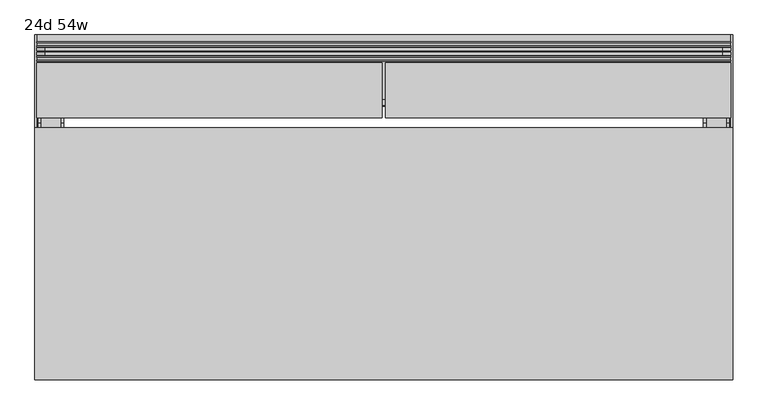
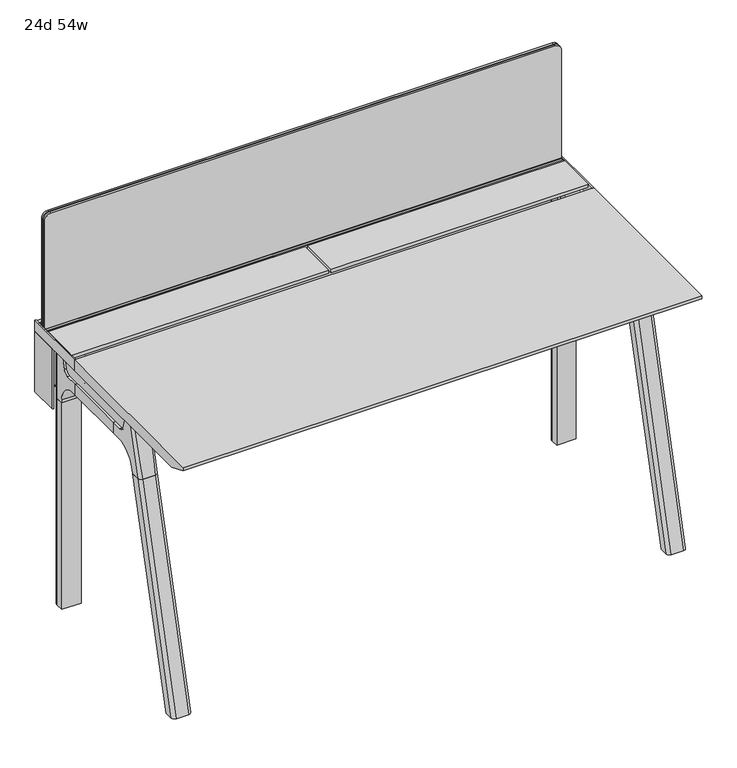
"""IFC4 building model written with IfcOpenShell, lengths in millimetres: furniture geometry, 24d 54w."""

import ifcopenshell
import ifcopenshell.guid

model = None  # the IFC model being written
_history = None  # IfcOwnerHistory: only IFC2X3 demands one
_inside = {}  # id of a spatial element -> (the spatial element, [elements in it])
_under = {}  # id of a project, library or spatial element -> (it, [spatial elements below it])
_declared = {}  # id of a project -> (the project, [libraries it declares])
_typed = {}  # id of a type object -> (the type object, [elements of that type])
_made_of = {}  # id of a material, layer set ... -> (it, [elements and type objects made of it])


def new_model(schema):
    """Start an empty IFC model of exactly this schema.

    Asked for "IFC4X3", IfcOpenShell would pick the latest addendum, in which some entities
    have other attributes; the version numbers below select the first issue.
    IFC2X3 requires an IfcOwnerHistory on every rooted entity: one is made here for all.
    """
    global model, _history
    if schema == "IFC4X3":
        model = ifcopenshell.file(schema_version=(4, 3, 0, 0))
    else:
        model = ifcopenshell.file(schema=schema)
    _inside.clear()
    _under.clear()
    _declared.clear()
    _typed.clear()
    _made_of.clear()
    _history = None
    if model.schema == "IFC2X3":
        org = make("IfcOrganization", Name="unknown")
        user = make(
            "IfcPersonAndOrganization",
            ThePerson=make("IfcPerson", FamilyName="unknown"),
            TheOrganization=org,
        )
        app = make(
            "IfcApplication",
            ApplicationDeveloper=org,
            Version="unknown",
            ApplicationFullName="unknown",
            ApplicationIdentifier="unknown",
        )
        _history = make(
            "IfcOwnerHistory",
            OwningUser=user,
            OwningApplication=app,
            ChangeAction="ADDED",
            CreationDate=0,
        )
    return model


def make(cls, **values):
    """One entity of the class cls with the attributes given. An attribute that is None is left unset."""
    return model.create_entity(
        cls, **{name: value for name, value in values.items() if value is not None}
    )


def rooted(cls, **values):
    """An entity with a GlobalId (a new one), such as an element, a storey or a relation."""
    return make(cls, GlobalId=ifcopenshell.guid.new(), OwnerHistory=_history, **values)


def si_unit(unit_type, name, prefix=None):
    """IfcSIUnit, for example si_unit("LENGTHUNIT", "METRE", prefix="MILLI")."""
    return make("IfcSIUnit", UnitType=unit_type, Prefix=prefix, Name=name)


def assignment(units):
    """IfcUnitAssignment: the units of a project."""
    return None if units is None else make("IfcUnitAssignment", Units=units)


def point(xyz):
    """IfcCartesianPoint."""
    return None if xyz is None else make("IfcCartesianPoint", Coordinates=xyz)


def direction(xyz):
    """IfcDirection."""
    return None if xyz is None else make("IfcDirection", DirectionRatios=xyz)


def frame(location, z_axis=None, x_axis=None):
    """IfcAxis2Placement3D, a coordinate frame: its origin and axes. An axis left out is left unset."""
    return make(
        "IfcAxis2Placement3D",
        Location=point(location),
        Axis=direction(z_axis),
        RefDirection=direction(x_axis),
    )


def frame_2d(location, x_axis=None):
    """IfcAxis2Placement2D, a coordinate frame in the plane: its origin and x axis."""
    return make(
        "IfcAxis2Placement2D", Location=point(location), RefDirection=direction(x_axis)
    )


def origin():
    """The frame at (0, 0, 0) with its axes left unset."""
    return frame((0.0, 0.0, 0.0))


def place(relative_to, where):
    """IfcLocalPlacement: puts the frame where relative to a parent placement (None: the world)."""
    return make(
        "IfcLocalPlacement", PlacementRelTo=relative_to, RelativePlacement=where
    )


def context(
    kind, dimensions, precision=None, world=None, true_north=None, identifier=None
):
    """IfcGeometricRepresentationContext, for example the 3D "Model" context."""
    return make(
        "IfcGeometricRepresentationContext",
        ContextIdentifier=identifier,
        ContextType=kind,
        CoordinateSpaceDimension=dimensions,
        Precision=precision,
        WorldCoordinateSystem=world,
        TrueNorth=true_north,
    )


def project(units=None, contexts=None):
    """IfcProject with its units and contexts."""
    return rooted(
        "IfcProject",
        Name="project",
        RepresentationContexts=contexts,
        UnitsInContext=assignment(units),
    )


def spatial(cls, under=None, at=None, **own):
    """A site, building, storey or space (cls), placed at a placement, below another one or the project."""
    s = rooted(cls, ObjectPlacement=at, **own)
    if under is not None:
        _under.setdefault(under.id(), (under, []))[1].append(s)
    return s


def polyline(points):
    """IfcPolyline through the points."""
    return make("IfcPolyline", Points=[point(p) for p in points])


def circle_curve(where, radius):
    """IfcCircle in the frame where."""
    return make("IfcCircle", Position=where, Radius=radius)


def ellipse_curve(where, semi_axis1, semi_axis2):
    """IfcEllipse in the frame where."""
    return make(
        "IfcEllipse", Position=where, SemiAxis1=semi_axis1, SemiAxis2=semi_axis2
    )


def trimmed(basis, trim1, trim2, sense, master):
    """IfcTrimmedCurve: the piece of a basis curve between two trims."""
    return make(
        "IfcTrimmedCurve",
        BasisCurve=basis,
        Trim1=trim1,
        Trim2=trim2,
        SenseAgreement=sense,
        MasterRepresentation=master,
    )


def segment(curve, same_sense, transition):
    """IfcCompositeCurveSegment."""
    return make(
        "IfcCompositeCurveSegment",
        Transition=transition,
        SameSense=same_sense,
        ParentCurve=curve,
    )


def composite_curve(segments, self_intersect=None):
    """IfcCompositeCurve: segments joined end to end."""
    return make("IfcCompositeCurve", Segments=segments, SelfIntersect=self_intersect)


def outline(outer, holes=None, kind="AREA"):
    """IfcArbitraryClosedProfileDef: a profile drawn as a closed curve; with holes, ...WithVoids."""
    if holes is None:
        return make("IfcArbitraryClosedProfileDef", ProfileType=kind, OuterCurve=outer)
    return make(
        "IfcArbitraryProfileDefWithVoids",
        ProfileType=kind,
        OuterCurve=outer,
        InnerCurves=holes,
    )


def extrude(swept, where, along, depth):
    """IfcExtrudedAreaSolid: the profile swept, set in the frame where, extruded along a direction by depth."""
    return make(
        "IfcExtrudedAreaSolid",
        SweptArea=swept,
        Position=where,
        ExtrudedDirection=direction(along),
        Depth=depth,
    )


def shape(context_of_items, identifier, shape_type, items):
    """IfcShapeRepresentation: the items that make up one representation, for example the "Body"."""
    return make(
        "IfcShapeRepresentation",
        ContextOfItems=context_of_items,
        RepresentationIdentifier=identifier,
        RepresentationType=shape_type,
        Items=items,
    )


def source(mapping_origin, context_of_items, identifier, shape_type, items):
    """IfcRepresentationMap: a shape defined once, which mapped items show again and again."""
    return make(
        "IfcRepresentationMap",
        MappingOrigin=mapping_origin,
        MappedRepresentation=shape(context_of_items, identifier, shape_type, items),
    )


def transform(
    local_origin,
    x_axis=None,
    y_axis=None,
    z_axis=None,
    scale=None,
    scale2=None,
    scale3=None,
    uniform=True,
):
    """IfcCartesianTransformationOperator3D, or its non-uniform kind. x_axis, y_axis, z_axis: its Axis1, 2, 3."""
    if uniform:
        return make(
            "IfcCartesianTransformationOperator3D",
            Axis1=direction(x_axis),
            Axis2=direction(y_axis),
            LocalOrigin=point(local_origin),
            Scale=scale,
            Axis3=direction(z_axis),
        )
    return make(
        "IfcCartesianTransformationOperator3DnonUniform",
        Axis1=direction(x_axis),
        Axis2=direction(y_axis),
        LocalOrigin=point(local_origin),
        Scale=scale,
        Axis3=direction(z_axis),
        Scale2=scale2,
        Scale3=scale3,
    )


def mapped(mapping_source, mapping_target):
    """IfcMappedItem: shows the shape of a source again, moved by a transform."""
    return make(
        "IfcMappedItem", MappingSource=mapping_source, MappingTarget=mapping_target
    )


def made_of(thing, what):
    """Note that an element or type object is made of a material, layer set ...; save() writes the relation."""
    if what is not None:
        _made_of.setdefault(what.id(), (what, []))[1].append(thing)
    return thing


def element(
    cls,
    number,
    at=None,
    inside=None,
    cuts=None,
    type_object=None,
    material=None,
    context=None,
    identifier="Body",
    shape_type=None,
    held_by="IfcProductDefinitionShape",
    body=None,
    shapes=None,
    **own,
):
    """One element of the class cls, such as IfcWall. Its Tag is "e" and its number.

    at: its placement. inside: the storey or other place that contains it. cuts: it is an
    opening in that element (IfcRelVoidsElement). A single representation is given by context,
    identifier, shape_type and body (its items); several are given by shapes. held_by: the class
    of the entity that holds the representations. save() writes the other relations.
    """
    e = rooted(cls, Tag="e%d" % number, ObjectPlacement=at, **own)
    if body is not None:
        shapes = [shape(context, identifier, shape_type, body)]
    if shapes is not None:
        e.Representation = make(held_by, Representations=shapes)
    if inside is not None:
        _inside.setdefault(inside.id(), (inside, []))[1].append(e)
    if cuts is not None:
        rooted(
            "IfcRelVoidsElement", RelatingBuildingElement=cuts, RelatedOpeningElement=e
        )
    if type_object is not None:
        _typed.setdefault(type_object.id(), (type_object, []))[1].append(e)
    return made_of(e, material)


def aggregate(whole, parts):
    """IfcRelAggregates: a whole, such as a stair, and the parts it consists of."""
    return rooted("IfcRelAggregates", RelatingObject=whole, RelatedObjects=parts)


def save(model, path):
    """Write the relations noted so far, then the file.

    IfcRelAggregates (storeys below a building ...), IfcRelContainedInSpatialStructure (elements
    in a storey), IfcRelDefinesByType, IfcRelAssociatesMaterial and IfcRelDeclares: one each for
    every whole, place, type object, material and project.
    """
    for whole, parts in _under.values():
        aggregate(whole, parts)
    for where, things in _inside.values():
        rooted(
            "IfcRelContainedInSpatialStructure",
            RelatedElements=things,
            RelatingStructure=where,
        )
    for kind, things in _typed.values():
        rooted("IfcRelDefinesByType", RelatedObjects=things, RelatingType=kind)
    for what, things in _made_of.values():
        rooted("IfcRelAssociatesMaterial", RelatedObjects=things, RelatingMaterial=what)
    for by, libraries in _declared.values():
        rooted("IfcRelDeclares", RelatingContext=by, RelatedDefinitions=libraries)
    model.write(path)


def plane_surface(at):
    """IfcPlane: the flat surface through the origin of the frame at, square to its z axis."""
    return make("IfcPlane", Position=at)


def cylinder_surface(at, radius):
    """IfcCylindricalSurface: all points at the distance radius from the z axis of the frame at."""
    return make("IfcCylindricalSurface", Position=at, Radius=radius)


def revolved_surface(curve, axis_point, axis_direction):
    """IfcSurfaceOfRevolution: the curve turned about the line through axis_point along axis_direction."""
    return make(
        "IfcSurfaceOfRevolution",
        SweptCurve=make("IfcArbitraryOpenProfileDef", ProfileType="CURVE", Curve=curve),
        AxisPosition=make("IfcAxis1Placement", Location=point(axis_point), Axis=direction(axis_direction)),
    )


def advanced_brep(points, edges, surfaces, faces):
    """IfcAdvancedBrep: a solid bounded by faces that lie on surfaces and meet in shared edges.

    An edge is (start, end): straight between two places in points (the first is 0);
    or (start, end, curve); or (start, end, curve, False) where it runs against its curve.
    A face is (place in surfaces, loops), or (place, loops, False) where it looks against
    its surface's normal. A loop lists edges by number (the first is 1), with a minus sign
    where the edge is run from its end to its start. The first loop is the outer one.
    """
    corners = [point(p) for p in points]
    vertices = [make("IfcVertexPoint", VertexGeometry=c) for c in corners]
    made = []
    for start, end, *more in edges:
        made.append(
            make(
                "IfcEdgeCurve",
                EdgeStart=vertices[start],
                EdgeEnd=vertices[end],
                EdgeGeometry=more[0] if more else make("IfcPolyline", Points=[corners[start], corners[end]]),
                SameSense=more[1] if len(more) > 1 else True,
            )
        )
    hull = []
    for where, loops, *sense in faces:
        bounds = []
        for j, loop in enumerate(loops):
            ring = [make("IfcOrientedEdge", EdgeElement=made[abs(k) - 1], Orientation=k > 0) for k in loop]
            bounds.append(
                make(
                    "IfcFaceOuterBound" if j == 0 else "IfcFaceBound",
                    Bound=make("IfcEdgeLoop", EdgeList=ring),
                    Orientation=True,
                )
            )
        hull.append(make("IfcAdvancedFace", Bounds=bounds, FaceSurface=surfaces[where], SameSense=sense[0] if sense else True))
    return make("IfcAdvancedBrep", Outer=make("IfcClosedShell", CfsFaces=hull))


def furniture_24d_54w_5e9476ae(model_context):
    return source(origin(), model_context, "Body", "SolidModel", [
        extrude(outline(composite_curve([segment(polyline([(-171.6458172, 542.478661), (-293.447806, 542.478661)]), True, "CONTINUOUS"), segment(trimmed(circle_curve(frame_2d((-293.447806, 555.972411)), 13.49375), [point((-293.447806, 542.478661))], [point((-306.941556, 555.972411))], False, "CARTESIAN"), True, "CONTINUOUS"), segment(polyline([(-306.941556, 555.972411), (-306.941556, 579.126206), (-306.147806, 579.126206), (-306.147806, 555.972411)]), True, "CONTINUOUS"), segment(trimmed(circle_curve(frame_2d((-293.447806, 555.972411)), 12.7), [point((-306.147806, 555.972411))], [point((-293.447806, 543.272411))], True, "CARTESIAN"), True, "CONTINUOUS"), segment(polyline([(-293.447806, 543.272411), (-171.6458172, 543.272411), (-171.6458172, 542.478661)]), True, "CONTINUOUS")], self_intersect=False)), frame((-314.325, 0.0, 0.0), z_axis=(1.0, 0.0, 0.0), x_axis=(0.0, 1.0, 0.0)), (0.0, 0.0, 1.0), 1060.45),
        extrude(outline(polyline([(-167.2415802, 542.478661), (-171.6458172, 542.478661), (-171.6458172, 543.272411), (-168.0353302, 543.272411), (-168.0353302, 738.7080593), (-179.9097266, 738.7080593), (-179.9097266, 729.9768093), (-180.7034766, 729.9768093), (-180.7034766, 739.5018093), (-167.2415802, 739.5018093), (-167.2415802, 542.478661)])), frame((-466.725, 0.0, 0.0), z_axis=(1.0, 0.0, 0.0), x_axis=(0.0, 1.0, 0.0)), (0.0, 0.0, 1.0), 1365.25),
        extrude(outline(composite_curve([segment(polyline([(1054.89375, 879.475), (1054.89375, -447.675)]), True, "CONTINUOUS"), segment(trimmed(circle_curve(frame_2d((1039.01875, -447.675)), 15.875), [point((1054.89375, -447.675))], [point((1039.01875, -463.55))], False, "CARTESIAN"), True, "CONTINUOUS"), segment(polyline([(1039.01875, -463.55), (720.725, -463.55), (720.725, 895.35), (1039.01875, 895.35)]), True, "CONTINUOUS"), segment(trimmed(circle_curve(frame_2d((1039.01875, 879.475)), 15.875), [point((1039.01875, 895.35))], [point((1054.89375, 879.475))], False, "CARTESIAN"), True, "CONTINUOUS")], self_intersect=False)), frame((0.0, -201.3409766, 0.0), z_axis=(0.0, 1.0, 0.0), x_axis=(0.0, 0.0, 1.0)), (0.0, 0.0, 1.0), 3.175),
        extrude(outline(composite_curve([segment(polyline([(1058.06875, 882.65), (1058.06875, -450.85)]), True, "CONTINUOUS"), segment(trimmed(circle_curve(frame_2d((1042.19375, -450.85)), 15.875), [point((1058.06875, -450.85))], [point((1042.19375, -466.725))], False, "CARTESIAN"), True, "CONTINUOUS"), segment(polyline([(1042.19375, -466.725), (717.55, -466.725), (717.55, 898.525), (1042.19375, 898.525)]), True, "CONTINUOUS"), segment(trimmed(circle_curve(frame_2d((1042.19375, 882.65)), 15.875), [point((1042.19375, 898.525))], [point((1058.06875, 882.65))], False, "CARTESIAN"), True, "CONTINUOUS")], self_intersect=False)), frame((0.0, -198.1659766, 0.0), z_axis=(0.0, 1.0, 0.0), x_axis=(0.0, 0.0, 1.0)), (0.0, 0.0, 1.0), 5.55625),
        extrude(outline(composite_curve([segment(polyline([(1058.06875, 882.65), (1058.06875, -450.85)]), True, "CONTINUOUS"), segment(trimmed(circle_curve(frame_2d((1042.19375, -450.85)), 15.875), [point((1058.06875, -450.85))], [point((1042.19375, -466.725))], False, "CARTESIAN"), True, "CONTINUOUS"), segment(polyline([(1042.19375, -466.725), (717.55, -466.725), (717.55, 898.525), (1042.19375, 898.525)]), True, "CONTINUOUS"), segment(trimmed(circle_curve(frame_2d((1042.19375, 882.65)), 15.875), [point((1042.19375, 898.525))], [point((1058.06875, 882.65))], False, "CARTESIAN"), True, "CONTINUOUS")], self_intersect=False)), frame((0.0, -206.8972266, 0.0), z_axis=(0.0, 1.0, 0.0), x_axis=(0.0, 0.0, 1.0)), (0.0, 0.0, 1.0), 5.55625),
        extrude(outline(polyline([(-218.8034766, 715.9625), (-218.8034766, 741.3625), (-217.2159766, 741.3625), (-217.2159766, 720.725), (-210.8659766, 720.725), (-210.8659766, 741.3625), (-209.2784766, 741.3625), (-209.2784766, 717.55), (-190.2284766, 717.55), (-190.2284766, 741.3625), (-188.6409766, 741.3625), (-188.6409766, 720.725), (-182.2909766, 720.725), (-182.2909766, 741.3625), (-180.7034766, 741.3625), (-180.7034766, 715.9625), (-218.8034766, 715.9625)])), frame((-466.725, 0.0, 0.0), z_axis=(1.0, 0.0, 0.0), x_axis=(0.0, 1.0, 0.0)), (0.0, 0.0, 1.0), 1365.25),
        extrude(outline(composite_curve([segment(polyline([(-280.7159766, 711.2), (-289.7740774, 677.3947076)]), True, "CONTINUOUS"), segment(trimmed(circle_curve(frame_2d((-305.1081499, 681.5034599)), 15.875), [point((-289.7740774, 677.3947076))], [point((-305.1081499, 665.6284599))], False, "CARTESIAN"), True, "CONTINUOUS"), segment(polyline([(-305.1081499, 665.6284599), (-550.8050533, 665.6284599)]), True, "CONTINUOUS"), segment(trimmed(circle_curve(frame_2d((-550.8050533, 681.5034599)), 15.875), [point((-550.8050533, 665.6284599))], [point((-566.1391258, 677.3947076))], False, "CARTESIAN"), True, "CONTINUOUS"), segment(polyline([(-566.1391258, 677.3947076), (-575.1972266, 711.2), (-280.7159766, 711.2)]), True, "CONTINUOUS")], self_intersect=False)), frame((850.9, 0.0, 0.0), z_axis=(1.0, 0.0, 0.0), x_axis=(0.0, 1.0, 0.0)), (0.0, 0.0, 1.0), 38.1),
        extrude(outline(polyline([(895.35, -341.0409766), (895.35, -514.8722266), (844.55, -514.8722266), (844.55, -341.0409766), (895.35, -341.0409766)])), frame((0.0, 0.0, 635.6476591), z_axis=(0.0, 0.0, 1.0), x_axis=(1.0, 0.0, 0.0)), (0.0, 0.0, 1.0), 29.9808008),
        extrude(outline(composite_curve([segment(polyline([(-280.7159766, 711.2), (-289.7740774, 677.3947076)]), True, "CONTINUOUS"), segment(trimmed(circle_curve(frame_2d((-305.1081499, 681.5034599)), 15.875), [point((-289.7740774, 677.3947076))], [point((-305.1081499, 665.6284599))], False, "CARTESIAN"), True, "CONTINUOUS"), segment(polyline([(-305.1081499, 665.6284599), (-550.8050533, 665.6284599)]), True, "CONTINUOUS"), segment(trimmed(circle_curve(frame_2d((-550.8050533, 681.5034599)), 15.875), [point((-550.8050533, 665.6284599))], [point((-566.1391258, 677.3947076))], False, "CARTESIAN"), True, "CONTINUOUS"), segment(polyline([(-566.1391258, 677.3947076), (-575.1972266, 711.2), (-280.7159766, 711.2)]), True, "CONTINUOUS")], self_intersect=False)), frame((-457.2, 0.0, 0.0), z_axis=(1.0, 0.0, 0.0), x_axis=(0.0, 1.0, 0.0)), (0.0, 0.0, 1.0), 38.1),
        extrude(outline(polyline([(-412.75, -341.0409766), (-412.75, -514.8722266), (-463.55, -514.8722266), (-463.55, -341.0409766), (-412.75, -341.0409766)])), frame((0.0, 0.0, 635.6476591), z_axis=(0.0, 0.0, 1.0), x_axis=(1.0, 0.0, 0.0)), (0.0, 0.0, 1.0), 29.9808008),
        advanced_brep(
        [(895.35, -280.6696478, 711.2), (895.35, -289.7277486, 677.3947076), (895.35, -305.0618211, 665.6284599), (895.35, -341.0409766, 665.6284599), (895.35, -341.0409766, 635.6476591), (895.35, -329.9284766, 635.6476591), (895.35, -279.1284766, 584.8476591), (895.35, -279.1284766, 576.659375), (895.35, -256.9034766, 576.659375), (895.35, -256.9034766, 711.2), (844.55, -279.1284766, 576.659375), (844.55, -279.1284766, 584.8476591), (844.55, -329.9284766, 635.6476591), (844.55, -341.0409766, 635.6476591), (844.55, -341.0409766, 665.6284599), (844.55, -305.0618211, 665.6284599), (844.55, -289.7277486, 677.3947076), (844.55, -280.6696478, 711.2), (844.55, -256.9034766, 711.2), (844.55, -256.9034766, 576.659375), (885.825, -247.3784766, 711.2), (854.075, -247.3784766, 711.2), (854.075, -247.3784766, 576.659375), (885.825, -247.3784766, 576.659375)],
        [
            (0, 1),
            (1, 2, circle_curve(frame((895.35, -305.0618211, 681.5034599), z_axis=(-1.0, 0.0, 0.0), x_axis=(0.0, 1.0, 0.0)), 15.875)),
            (2, 3),
            (3, 4),
            (4, 5),
            (5, 6, circle_curve(frame((895.35, -329.9284766, 584.8476591), z_axis=(-1.0, 0.0, 0.0), x_axis=(0.0, 1.0, 0.0)), 50.8)),
            (6, 7),
            (7, 8),
            (8, 9),
            (9, 0),
            (10, 11),
            (11, 12, circle_curve(frame((844.55, -329.9284766, 584.8476591), z_axis=(1.0, 0.0, 0.0), x_axis=(0.0, 1.0, 0.0)), 50.8)),
            (12, 13),
            (13, 14),
            (14, 15),
            (15, 16, circle_curve(frame((844.55, -305.0618211, 681.5034599), z_axis=(1.0, 0.0, 0.0), x_axis=(0.0, 1.0, 0.0)), 15.875)),
            (16, 17),
            (17, 18),
            (18, 19),
            (19, 10),
            (17, 0),
            (9, 20, circle_curve(frame((885.825, -256.9034766, 711.2), z_axis=(0.0, 0.0, 1.0), x_axis=(-1.0, 0.0, 0.0)), 9.525)),
            (20, 21),
            (21, 18, circle_curve(frame((854.075, -256.9034766, 711.2), z_axis=(0.0, 0.0, 1.0), x_axis=(-1.0, 0.0, 0.0)), 9.525)),
            (16, 1),
            (15, 2),
            (14, 3),
            (13, 4),
            (12, 5),
            (7, 10),
            (19, 22, circle_curve(frame((854.075, -256.9034766, 576.659375), z_axis=(0.0, 0.0, -1.0), x_axis=(-1.0, 0.0, 0.0)), 9.525)),
            (22, 23),
            (23, 8, circle_curve(frame((885.825, -256.9034766, 576.659375), z_axis=(0.0, 0.0, -1.0), x_axis=(-1.0, 0.0, 0.0)), 9.525)),
            (11, 6),
            (23, 20),
            (21, 22),
        ],
        [
            plane_surface(frame((895.35, -240.451947, 711.2), z_axis=(1.0, 0.0, 0.0), x_axis=(0.0, -1.0, 0.0))),
            plane_surface(frame((844.55, -240.451947, 711.2), z_axis=(-1.0, 0.0, 0.0), x_axis=(0.0, 1.0, 0.0))),
            plane_surface(frame((895.35, -240.451947, 711.2), z_axis=(0.0, 0.0, 1.0), x_axis=(-1.0, 0.0, 0.0))),
            plane_surface(frame((895.35, -280.6696478, 711.2), z_axis=(0.0, -0.9659258262890683, 0.2588190451025207), x_axis=(-1.0, 0.0, 0.0))),
            revolved_surface(polyline([(844.55, -289.1868211, 681.5034599), (895.35, -289.1868211, 681.5034599)]), (844.55, -305.0618211, 681.5034599), (-1.0, 0.0, 0.0)),
            plane_surface(frame((895.35, -305.0618211, 665.6284599), z_axis=(0.0, 0.0, 1.0), x_axis=(-1.0, 0.0, 0.0))),
            plane_surface(frame((895.35, -341.0409766, 665.6284599), z_axis=(0.0, -1.0, 0.0), x_axis=(-1.0, 0.0, 0.0))),
            plane_surface(frame((895.35, -341.0409766, 635.6476591), z_axis=(0.0, 0.0, -1.0), x_axis=(-1.0, 0.0, 0.0))),
            plane_surface(frame((895.35, -279.1284766, 576.659375), z_axis=(0.0, 0.0, -1.0), x_axis=(-1.0, 0.0, 0.0))),
            revolved_surface(polyline([(844.55, -279.1284766, 584.8476591), (895.35, -279.1284766, 584.8476591)]), (844.55, -329.9284766, 584.8476591), (-1.0, 0.0, 0.0)),
            plane_surface(frame((895.35, -279.1284766, 584.8476591), z_axis=(0.0, -1.0, 0.0), x_axis=(-1.0, 0.0, 0.0))),
            cylinder_surface(frame((885.825, -256.9034766, 524.9807374), z_axis=(0.0, 0.0, -1.0), x_axis=(-1.0, 0.0, 0.0)), 9.525),
            cylinder_surface(frame((854.075, -256.9034766, 524.9807374), z_axis=(0.0, 0.0, -1.0), x_axis=(-1.0, 0.0, 0.0)), 9.525),
            plane_surface(frame((854.075, -247.3784766, 711.2), z_axis=(0.0, 1.0, 0.0), x_axis=(0.0, 0.0, -1.0))),
        ],
        [
            (0, [[1, 2, 3, 4, 5, 6, 7, 8, 9, 10]]),
            (1, [[11, 12, 13, 14, 15, 16, 17, 18, 19, 20]]),
            (2, [[21, -10, 22, 23, 24, -18]]),
            (3, [[-1, -21, -17, 25]]),
            (4, [[-2, -25, -16, 26]]),
            (5, [[-3, -26, -15, 27]]),
            (6, [[-4, -27, -14, 28]]),
            (7, [[-5, -28, -13, 29]]),
            (8, [[30, -20, 31, 32, 33, -8]]),
            (9, [[-6, -29, -12, 34]]),
            (10, [[-7, -34, -11, -30]]),
            (11, [[35, -22, -9, -33]]),
            (12, [[36, -31, -19, -24]]),
            (13, [[-35, -32, -36, -23]]),
        ],
    ),
        advanced_brep(
        [(844.55, -279.1284766, 576.659375), (895.35, -279.1284766, 576.659375), (895.35, -256.9034766, 576.659375), (885.825, -247.3784766, 576.659375), (854.075, -247.3784766, 576.659375), (844.55, -256.9034766, 576.659375), (844.55, -279.1284766, 0.0), (844.55, -256.9034766, 0.0), (854.075, -247.3784766, 0.0), (885.825, -247.3784766, 0.0), (895.35, -256.9034766, 0.0), (895.35, -279.1284766, 0.0), (895.35, -256.9034766, 524.9807374), (885.825, -247.3784766, 524.9807374), (854.075, -247.3784766, 524.9807374), (844.55, -256.9034766, 524.9807374)],
        [
            (0, 1),
            (1, 2),
            (2, 3, circle_curve(frame((885.825, -256.9034766, 576.659375), z_axis=(0.0, 0.0, 1.0), x_axis=(-1.0, 0.0, 0.0)), 9.525)),
            (3, 4),
            (4, 5, circle_curve(frame((854.075, -256.9034766, 576.659375), z_axis=(0.0, 0.0, 1.0), x_axis=(-1.0, 0.0, 0.0)), 9.525)),
            (5, 0),
            (6, 7),
            (7, 8, circle_curve(frame((854.075, -256.9034766, 0.0), z_axis=(0.0, 0.0, -1.0), x_axis=(-1.0, 0.0, 0.0)), 9.525)),
            (8, 9),
            (9, 10, circle_curve(frame((885.825, -256.9034766, 0.0), z_axis=(0.0, 0.0, -1.0), x_axis=(-1.0, 0.0, 0.0)), 9.525)),
            (10, 11),
            (11, 6),
            (0, 6),
            (11, 1),
            (10, 12),
            (12, 2),
            (9, 13),
            (13, 3),
            (8, 14),
            (14, 4),
            (7, 15),
            (15, 5),
        ],
        [
            plane_surface(frame((902.5462903, -279.1284766, 576.659375), z_axis=(0.0, 0.0, 1.0), x_axis=(1.0, 0.0, 0.0))),
            plane_surface(frame((902.5462903, -279.1284766, 0.0), z_axis=(0.0, 0.0, -1.0), x_axis=(-1.0, 0.0, 0.0))),
            plane_surface(frame((844.55, -279.1284766, 576.659375), z_axis=(0.0, -1.0, 0.0), x_axis=(0.0, 0.0, -1.0))),
            plane_surface(frame((895.35, -279.1284766, 576.659375), z_axis=(1.0, 0.0, 0.0), x_axis=(0.0, 0.0, -1.0))),
            cylinder_surface(frame((885.825, -256.9034766, 0.0), z_axis=(0.0, 0.0, 1.0), x_axis=(-1.0, 0.0, 0.0)), 9.525),
            plane_surface(frame((885.825, -247.3784766, 576.659375), z_axis=(0.0, 1.0, 0.0), x_axis=(0.0, 0.0, -1.0))),
            cylinder_surface(frame((854.075, -256.9034766, 0.0), z_axis=(0.0, 0.0, 1.0), x_axis=(-1.0, 0.0, 0.0)), 9.525),
            plane_surface(frame((844.55, -256.9034766, 576.659375), z_axis=(-1.0, 0.0, 0.0), x_axis=(0.0, 0.0, -1.0))),
        ],
        [
            (0, [[1, 2, 3, 4, 5, 6]]),
            (1, [[7, 8, 9, 10, 11, 12]]),
            (2, [[-1, 13, -12, 14]]),
            (3, [[-2, -14, -11, 15, 16]]),
            (4, [[-3, -16, -15, -10, 17, 18]]),
            (5, [[-4, -18, -17, -9, 19, 20]]),
            (6, [[-5, -20, -19, -8, 21, 22]]),
            (7, [[-6, -22, -21, -7, -13]]),
        ],
    ),
        advanced_brep(
        [(-412.75, -280.6696478, 711.2), (-412.75, -289.7277486, 677.3947076), (-412.75, -305.0618211, 665.6284599), (-412.75, -341.0409766, 665.6284599), (-412.75, -341.0409766, 635.6476591), (-412.75, -329.9284766, 635.6476591), (-412.75, -279.1284766, 584.8476591), (-412.75, -279.1284766, 576.659375), (-412.75, -256.9034766, 576.659375), (-412.75, -256.9034766, 711.2), (-463.55, -279.1284766, 576.659375), (-463.55, -279.1284766, 584.8476591), (-463.55, -329.9284766, 635.6476591), (-463.55, -341.0409766, 635.6476591), (-463.55, -341.0409766, 665.6284599), (-463.55, -305.0618211, 665.6284599), (-463.55, -289.7277486, 677.3947076), (-463.55, -280.6696478, 711.2), (-463.55, -256.9034766, 711.2), (-463.55, -256.9034766, 576.659375), (-422.275, -247.3784766, 711.2), (-454.025, -247.3784766, 711.2), (-454.025, -247.3784766, 576.659375), (-422.275, -247.3784766, 576.659375)],
        [
            (0, 1),
            (1, 2, circle_curve(frame((-412.75, -305.0618211, 681.5034599), z_axis=(-1.0, 0.0, 0.0), x_axis=(0.0, 1.0, 0.0)), 15.875)),
            (2, 3),
            (3, 4),
            (4, 5),
            (5, 6, circle_curve(frame((-412.75, -329.9284766, 584.8476591), z_axis=(-1.0, 0.0, 0.0), x_axis=(0.0, 1.0, 0.0)), 50.8)),
            (6, 7),
            (7, 8),
            (8, 9),
            (9, 0),
            (10, 11),
            (11, 12, circle_curve(frame((-463.55, -329.9284766, 584.8476591), z_axis=(1.0, 0.0, 0.0), x_axis=(0.0, 1.0, 0.0)), 50.8)),
            (12, 13),
            (13, 14),
            (14, 15),
            (15, 16, circle_curve(frame((-463.55, -305.0618211, 681.5034599), z_axis=(1.0, 0.0, 0.0), x_axis=(0.0, 1.0, 0.0)), 15.875)),
            (16, 17),
            (17, 18),
            (18, 19),
            (19, 10),
            (17, 0),
            (9, 20, circle_curve(frame((-422.275, -256.9034766, 711.2), z_axis=(0.0, 0.0, 1.0), x_axis=(-1.0, 0.0, 0.0)), 9.525)),
            (20, 21),
            (21, 18, circle_curve(frame((-454.025, -256.9034766, 711.2), z_axis=(0.0, 0.0, 1.0), x_axis=(-1.0, 0.0, 0.0)), 9.525)),
            (16, 1),
            (15, 2),
            (14, 3),
            (13, 4),
            (12, 5),
            (7, 10),
            (19, 22, circle_curve(frame((-454.025, -256.9034766, 576.659375), z_axis=(0.0, 0.0, -1.0), x_axis=(-1.0, 0.0, 0.0)), 9.525)),
            (22, 23),
            (23, 8, circle_curve(frame((-422.275, -256.9034766, 576.659375), z_axis=(0.0, 0.0, -1.0), x_axis=(-1.0, 0.0, 0.0)), 9.525)),
            (11, 6),
            (23, 20),
            (21, 22),
        ],
        [
            plane_surface(frame((-412.75, -240.451947, 711.2), z_axis=(1.0, 0.0, 0.0), x_axis=(0.0, -1.0, 0.0))),
            plane_surface(frame((-463.55, -240.451947, 711.2), z_axis=(-1.0, 0.0, 0.0), x_axis=(0.0, 1.0, 0.0))),
            plane_surface(frame((-412.75, -240.451947, 711.2), z_axis=(0.0, 0.0, 1.0), x_axis=(-1.0, 0.0, 0.0))),
            plane_surface(frame((-412.75, -280.6696478, 711.2), z_axis=(0.0, -0.9659258262890683, 0.2588190451025207), x_axis=(-1.0, 0.0, 0.0))),
            revolved_surface(polyline([(-463.55, -289.1868211, 681.5034599), (-412.75, -289.1868211, 681.5034599)]), (-463.55, -305.0618211, 681.5034599), (-1.0, 0.0, 0.0)),
            plane_surface(frame((-412.75, -305.0618211, 665.6284599), z_axis=(0.0, 0.0, 1.0), x_axis=(-1.0, 0.0, 0.0))),
            plane_surface(frame((-412.75, -341.0409766, 665.6284599), z_axis=(0.0, -1.0, 0.0), x_axis=(-1.0, 0.0, 0.0))),
            plane_surface(frame((-412.75, -341.0409766, 635.6476591), z_axis=(0.0, 0.0, -1.0), x_axis=(-1.0, 0.0, 0.0))),
            plane_surface(frame((-412.75, -279.1284766, 576.659375), z_axis=(0.0, 0.0, -1.0), x_axis=(-1.0, 0.0, 0.0))),
            revolved_surface(polyline([(-463.55, -279.1284766, 584.8476591), (-412.75, -279.1284766, 584.8476591)]), (-463.55, -329.9284766, 584.8476591), (-1.0, 0.0, 0.0)),
            plane_surface(frame((-412.75, -279.1284766, 584.8476591), z_axis=(0.0, -1.0, 0.0), x_axis=(-1.0, 0.0, 0.0))),
            cylinder_surface(frame((-422.275, -256.9034766, 524.9807374), z_axis=(0.0, 0.0, -1.0), x_axis=(-1.0, 0.0, 0.0)), 9.525),
            cylinder_surface(frame((-454.025, -256.9034766, 524.9807374), z_axis=(0.0, 0.0, -1.0), x_axis=(-1.0, 0.0, 0.0)), 9.525),
            plane_surface(frame((-454.025, -247.3784766, 711.2), z_axis=(0.0, 1.0, 0.0), x_axis=(0.0, 0.0, -1.0))),
        ],
        [
            (0, [[1, 2, 3, 4, 5, 6, 7, 8, 9, 10]]),
            (1, [[11, 12, 13, 14, 15, 16, 17, 18, 19, 20]]),
            (2, [[21, -10, 22, 23, 24, -18]]),
            (3, [[-1, -21, -17, 25]]),
            (4, [[-2, -25, -16, 26]]),
            (5, [[-3, -26, -15, 27]]),
            (6, [[-4, -27, -14, 28]]),
            (7, [[-5, -28, -13, 29]]),
            (8, [[30, -20, 31, 32, 33, -8]]),
            (9, [[-6, -29, -12, 34]]),
            (10, [[-7, -34, -11, -30]]),
            (11, [[35, -22, -9, -33]]),
            (12, [[36, -31, -19, -24]]),
            (13, [[-35, -32, -36, -23]]),
        ],
    ),
        advanced_brep(
        [(-463.55, -279.1284766, 576.659375), (-412.75, -279.1284766, 576.659375), (-412.75, -256.9034766, 576.659375), (-422.275, -247.3784766, 576.659375), (-454.025, -247.3784766, 576.659375), (-463.55, -256.9034766, 576.659375), (-463.55, -279.1284766, 0.0), (-463.55, -256.9034766, 0.0), (-454.025, -247.3784766, 0.0), (-422.275, -247.3784766, 0.0), (-412.75, -256.9034766, 0.0), (-412.75, -279.1284766, 0.0), (-412.75, -256.9034766, 524.9807374), (-422.275, -247.3784766, 524.9807374), (-454.025, -247.3784766, 524.9807374), (-463.55, -256.9034766, 524.9807374)],
        [
            (0, 1),
            (1, 2),
            (2, 3, circle_curve(frame((-422.275, -256.9034766, 576.659375), z_axis=(0.0, 0.0, 1.0), x_axis=(-1.0, 0.0, 0.0)), 9.525)),
            (3, 4),
            (4, 5, circle_curve(frame((-454.025, -256.9034766, 576.659375), z_axis=(0.0, 0.0, 1.0), x_axis=(-1.0, 0.0, 0.0)), 9.525)),
            (5, 0),
            (6, 7),
            (7, 8, circle_curve(frame((-454.025, -256.9034766, 0.0), z_axis=(0.0, 0.0, -1.0), x_axis=(-1.0, 0.0, 0.0)), 9.525)),
            (8, 9),
            (9, 10, circle_curve(frame((-422.275, -256.9034766, 0.0), z_axis=(0.0, 0.0, -1.0), x_axis=(-1.0, 0.0, 0.0)), 9.525)),
            (10, 11),
            (11, 6),
            (0, 6),
            (11, 1),
            (10, 12),
            (12, 2),
            (9, 13),
            (13, 3),
            (8, 14),
            (14, 4),
            (7, 15),
            (15, 5),
        ],
        [
            plane_surface(frame((-405.5537097, -279.1284766, 576.659375), z_axis=(0.0, 0.0, 1.0), x_axis=(1.0, 0.0, 0.0))),
            plane_surface(frame((-405.5537097, -279.1284766, 0.0), z_axis=(0.0, 0.0, -1.0), x_axis=(-1.0, 0.0, 0.0))),
            plane_surface(frame((-463.55, -279.1284766, 576.659375), z_axis=(0.0, -1.0, 0.0), x_axis=(0.0, 0.0, -1.0))),
            plane_surface(frame((-412.75, -279.1284766, 576.659375), z_axis=(1.0, 0.0, 0.0), x_axis=(0.0, 0.0, -1.0))),
            cylinder_surface(frame((-422.275, -256.9034766, 0.0), z_axis=(0.0, 0.0, 1.0), x_axis=(-1.0, 0.0, 0.0)), 9.525),
            plane_surface(frame((-422.275, -247.3784766, 576.659375), z_axis=(0.0, 1.0, 0.0), x_axis=(0.0, 0.0, -1.0))),
            cylinder_surface(frame((-454.025, -256.9034766, 0.0), z_axis=(0.0, 0.0, 1.0), x_axis=(-1.0, 0.0, 0.0)), 9.525),
            plane_surface(frame((-463.55, -256.9034766, 576.659375), z_axis=(-1.0, 0.0, 0.0), x_axis=(0.0, 0.0, -1.0))),
        ],
        [
            (0, [[1, 2, 3, 4, 5, 6]]),
            (1, [[7, 8, 9, 10, 11, 12]]),
            (2, [[-1, 13, -12, 14]]),
            (3, [[-2, -14, -11, 15, 16]]),
            (4, [[-3, -16, -15, -10, 17, 18]]),
            (5, [[-4, -18, -17, -9, 19, 20]]),
            (6, [[-5, -20, -19, -8, 21, 22]]),
            (7, [[-6, -22, -21, -7, -13]]),
        ],
    ),
        advanced_brep(
        [(844.55, -568.8935553, 711.2), (844.55, -559.8354545, 677.3947076), (844.55, -544.501382, 665.6284599), (844.55, -514.8722266, 665.6284599), (844.55, -514.8722266, 635.6476591), (844.55, -537.7434588, 635.6476591), (844.55, -602.1465633, 586.2294189), (844.55, -604.7047754, 576.6820411), (844.55, -625.8087453, 576.6820411), (844.55, -590.3601017, 711.2), (895.35, -604.7047754, 576.6820411), (895.35, -602.1465633, 586.2294189), (895.35, -537.7434588, 635.6476591), (895.35, -514.8722266, 635.6476591), (895.35, -514.8722266, 665.6284599), (895.35, -544.501382, 665.6284599), (895.35, -559.8354545, 677.3947076), (895.35, -568.8935553, 711.2), (895.35, -590.3601017, 711.2), (895.35, -625.8087453, 576.6820411), (850.8138162, -599.6149462, 711.2), (889.0861838, -599.6149462, 711.2), (885.825, -635.6589247, 576.6820411), (854.075, -635.6589247, 576.6820411)],
        [
            (0, 1),
            (1, 2, circle_curve(frame((844.55, -544.501382, 681.5034599), z_axis=(1.0, 0.0, 0.0), x_axis=(0.0, -1.0, 0.0)), 15.875)),
            (2, 3),
            (3, 4),
            (4, 5),
            (5, 6, circle_curve(frame((844.55, -537.7434588, 568.9726591), z_axis=(1.0, 0.0, 0.0), x_axis=(0.0, -1.0, 0.0)), 66.675)),
            (6, 7),
            (7, 8),
            (8, 9),
            (9, 0),
            (10, 11),
            (11, 12, circle_curve(frame((895.35, -537.7434588, 568.9726591), z_axis=(-1.0, 0.0, 0.0), x_axis=(0.0, -1.0, 0.0)), 66.675)),
            (12, 13),
            (13, 14),
            (14, 15),
            (15, 16, circle_curve(frame((895.35, -544.501382, 681.5034599), z_axis=(-1.0, 0.0, 0.0), x_axis=(0.0, -1.0, 0.0)), 15.875)),
            (16, 17),
            (17, 18),
            (18, 19),
            (19, 10),
            (17, 0),
            (9, 20, ellipse_curve(frame((854.075, -590.3601017, 711.2), z_axis=(0.0, 0.0, 1.0), x_axis=(0.0, -1.0, 0.0)), 9.8501793, 9.525)),
            (20, 21),
            (21, 18, ellipse_curve(frame((885.825, -590.3601017, 711.2), z_axis=(0.0, 0.0, 1.0), x_axis=(0.0, -1.0, 0.0)), 9.8501793, 9.525)),
            (16, 1),
            (15, 2),
            (14, 3),
            (13, 4),
            (12, 5),
            (11, 6),
            (10, 7),
            (19, 22, ellipse_curve(frame((885.825, -625.8087453, 576.6820411), z_axis=(0.0, 0.0, -1.0), x_axis=(0.0, -1.0, 0.0)), 9.8501793, 9.525)),
            (22, 23),
            (23, 8, ellipse_curve(frame((854.075, -625.8087453, 576.6820411), z_axis=(0.0, 0.0, -1.0), x_axis=(0.0, -1.0, 0.0)), 9.8501793, 9.525)),
            (20, 23, ellipse_curve(frame((854.075, -39.2892106, 2802.3641142), z_axis=(0.0, -0.9659258262890684, 0.2588190451025206), x_axis=(0.0, -0.2588190451025206, -0.9659258262890684)), 2304.1956354, 9.525)),
            (22, 21, ellipse_curve(frame((885.825, -39.2892106, 2802.3641142), z_axis=(0.0, -0.9659258262890684, 0.2588190451025206), x_axis=(0.0, -0.2588190451025206, -0.9659258262890684)), 2304.1956354, 9.525)),
        ],
        [
            plane_surface(frame((844.55, -599.6149462, 711.2), z_axis=(-1.0, 0.0, 0.0), x_axis=(0.0, 1.0, 0.0))),
            plane_surface(frame((895.35, -599.6149462, 711.2), z_axis=(1.0, 0.0, 0.0), x_axis=(0.0, -1.0, 0.0))),
            plane_surface(frame((844.55, -599.6149462, 711.2), z_axis=(0.0, 0.0, 1.0), x_axis=(1.0, 0.0, 0.0))),
            plane_surface(frame((844.55, -568.8935553, 711.2), z_axis=(0.0, 0.9659258262890683, 0.2588190451025207), x_axis=(1.0, 0.0, 0.0))),
            revolved_surface(polyline([(895.35, -560.376382, 681.5034599), (844.55, -560.376382, 681.5034599)]), (895.35, -544.501382, 681.5034599), (1.0, 0.0, 0.0)),
            plane_surface(frame((844.55, -544.501382, 665.6284599), z_axis=(0.0, 0.0, 1.0), x_axis=(1.0, 0.0, 0.0))),
            plane_surface(frame((844.55, -514.8722266, 665.6284599), z_axis=(0.0, 1.0, 0.0), x_axis=(1.0, 0.0, 0.0))),
            plane_surface(frame((844.55, -514.8722266, 635.6476591), z_axis=(0.0, 0.0, -1.0), x_axis=(1.0, 0.0, 0.0))),
            revolved_surface(polyline([(895.35, -604.4184587999999, 568.9726591), (844.55, -604.4184587999999, 568.9726591)]), (895.35, -537.7434588, 568.9726591), (1.0, 0.0, 0.0)),
            plane_surface(frame((844.55, -602.1465633, 586.2294189), z_axis=(0.0, 0.9659258262890693, -0.25881904510251696), x_axis=(1.0, 0.0, 0.0))),
            plane_surface(frame((844.55, -604.7047754, 576.6820411), z_axis=(0.0, 0.0, -1.0), x_axis=(1.0, 0.0, 0.0))),
            plane_surface(frame((844.55, -635.6589247, 576.6820411), z_axis=(0.0, -0.9659258262890684, 0.2588190451025206), x_axis=(1.0, 0.0, 0.0))),
            cylinder_surface(frame((854.075, -778.4176402, -2.4271979), z_axis=(0.0, -0.25482392474081483, -0.966987470125486), x_axis=(1.0, 0.0, 0.0)), 9.525),
            cylinder_surface(frame((885.825, -778.4176402, -2.4271979), z_axis=(0.0, -0.25482392474081483, -0.966987470125486), x_axis=(1.0, 0.0, 0.0)), 9.525),
        ],
        [
            (0, [[1, 2, 3, 4, 5, 6, 7, 8, 9, 10]]),
            (1, [[11, 12, 13, 14, 15, 16, 17, 18, 19, 20]]),
            (2, [[21, -10, 22, 23, 24, -18]]),
            (3, [[-1, -21, -17, 25]]),
            (4, [[-2, -25, -16, 26]]),
            (5, [[-3, -26, -15, 27]]),
            (6, [[-4, -27, -14, 28]]),
            (7, [[-5, -28, -13, 29]]),
            (8, [[-6, -29, -12, 30]]),
            (9, [[-7, -30, -11, 31]]),
            (10, [[-31, -20, 32, 33, 34, -8]]),
            (11, [[-23, 35, -33, 36]]),
            (12, [[-9, -34, -35, -22]]),
            (13, [[-19, -24, -36, -32]]),
        ],
    ),
        advanced_brep(
        [(844.55, -604.7047754, 576.6820411), (844.55, -756.6740466, 0.0), (844.55, -777.7780165, 0.0), (844.55, -625.8087453, 576.6820411), (895.35, -756.6740466, 0.0), (895.35, -604.7047754, 576.6820411), (895.35, -625.8087453, 576.6820411), (895.35, -777.7780165, 0.0), (854.075, -635.6589247, 576.6820411), (885.825, -635.6589247, 576.6820411), (885.825, -787.6281958, 0.0), (854.075, -787.6281958, 0.0)],
        [
            (0, 1),
            (1, 2),
            (2, 3),
            (3, 0),
            (4, 5),
            (5, 6),
            (6, 7),
            (7, 4),
            (5, 0),
            (3, 8, ellipse_curve(frame((854.075, -625.8087453, 576.6820411), z_axis=(0.0, 0.0, 1.0), x_axis=(0.0, -1.0, 0.0)), 9.8501793, 9.525)),
            (8, 9),
            (9, 6, ellipse_curve(frame((885.825, -625.8087453, 576.6820411), z_axis=(0.0, 0.0, 1.0), x_axis=(0.0, -1.0, 0.0)), 9.8501793, 9.525)),
            (4, 1),
            (7, 10, ellipse_curve(frame((885.825, -777.7780165, 0.0), z_axis=(0.0, 0.0, -1.0), x_axis=(0.0, -1.0, 0.0)), 9.8501793, 9.525)),
            (10, 11),
            (11, 2, ellipse_curve(frame((854.075, -777.7780165, 0.0), z_axis=(0.0, 0.0, -1.0), x_axis=(0.0, -1.0, 0.0)), 9.8501793, 9.525)),
            (8, 11),
            (10, 9),
        ],
        [
            plane_surface(frame((844.55, -635.6589247, 576.6820411), z_axis=(-1.0, 0.0, 0.0), x_axis=(0.0, 1.0, 0.0))),
            plane_surface(frame((895.35, -635.6589247, 576.6820411), z_axis=(1.0, 0.0, 0.0), x_axis=(0.0, -1.0, 0.0))),
            plane_surface(frame((844.55, -635.6589247, 576.6820411), z_axis=(0.0, 0.0, 1.0), x_axis=(1.0, 0.0, 0.0))),
            plane_surface(frame((844.55, -604.7047754, 576.6820411), z_axis=(0.0, 0.9669874701254844, -0.2548239247408208), x_axis=(1.0, 0.0, 0.0))),
            plane_surface(frame((844.55, -756.6740466, 0.0), z_axis=(0.0, 0.0, -1.0), x_axis=(1.0, 0.0, 0.0))),
            plane_surface(frame((844.55, -787.6281958, 0.0), z_axis=(0.0, -0.9669874701254855, 0.2548239247408166), x_axis=(1.0, 0.0, 0.0))),
            cylinder_surface(frame((854.075, -778.4176402, -2.4271979), z_axis=(0.0, -0.25482392474081483, -0.966987470125486), x_axis=(1.0, 0.0, 0.0)), 9.525),
            cylinder_surface(frame((885.825, -778.4176402, -2.4271979), z_axis=(0.0, -0.25482392474081483, -0.966987470125486), x_axis=(1.0, 0.0, 0.0)), 9.525),
        ],
        [
            (0, [[1, 2, 3, 4]]),
            (1, [[5, 6, 7, 8]]),
            (2, [[9, -4, 10, 11, 12, -6]]),
            (3, [[-1, -9, -5, 13]]),
            (4, [[-13, -8, 14, 15, 16, -2]]),
            (5, [[-11, 17, -15, 18]]),
            (6, [[-3, -16, -17, -10]]),
            (7, [[-7, -12, -18, -14]]),
        ],
    ),
        advanced_brep(
        [(-463.55, -568.8935553, 711.2), (-463.55, -559.8354545, 677.3947076), (-463.55, -544.501382, 665.6284599), (-463.55, -514.8722266, 665.6284599), (-463.55, -514.8722266, 635.6476591), (-463.55, -537.7434588, 635.6476591), (-463.55, -602.1465633, 586.2294189), (-463.55, -604.7047754, 576.6820411), (-463.55, -625.8087453, 576.6820411), (-463.55, -590.3601017, 711.2), (-412.75, -604.7047754, 576.6820411), (-412.75, -602.1465633, 586.2294189), (-412.75, -537.7434588, 635.6476591), (-412.75, -514.8722266, 635.6476591), (-412.75, -514.8722266, 665.6284599), (-412.75, -544.501382, 665.6284599), (-412.75, -559.8354545, 677.3947076), (-412.75, -568.8935553, 711.2), (-412.75, -590.3601017, 711.2), (-412.75, -625.8087453, 576.6820411), (-457.2861838, -599.6149462, 711.2), (-419.0138162, -599.6149462, 711.2), (-422.275, -635.6589247, 576.6820411), (-454.025, -635.6589247, 576.6820411)],
        [
            (0, 1),
            (1, 2, circle_curve(frame((-463.55, -544.501382, 681.5034599), z_axis=(1.0, 0.0, 0.0), x_axis=(0.0, -1.0, 0.0)), 15.875)),
            (2, 3),
            (3, 4),
            (4, 5),
            (5, 6, circle_curve(frame((-463.55, -537.7434588, 568.9726591), z_axis=(1.0, 0.0, 0.0), x_axis=(0.0, -1.0, 0.0)), 66.675)),
            (6, 7),
            (7, 8),
            (8, 9),
            (9, 0),
            (10, 11),
            (11, 12, circle_curve(frame((-412.75, -537.7434588, 568.9726591), z_axis=(-1.0, 0.0, 0.0), x_axis=(0.0, -1.0, 0.0)), 66.675)),
            (12, 13),
            (13, 14),
            (14, 15),
            (15, 16, circle_curve(frame((-412.75, -544.501382, 681.5034599), z_axis=(-1.0, 0.0, 0.0), x_axis=(0.0, -1.0, 0.0)), 15.875)),
            (16, 17),
            (17, 18),
            (18, 19),
            (19, 10),
            (17, 0),
            (9, 20, ellipse_curve(frame((-454.025, -590.3601017, 711.2), z_axis=(0.0, 0.0, 1.0), x_axis=(0.0, -1.0, 0.0)), 9.8501793, 9.525)),
            (20, 21),
            (21, 18, ellipse_curve(frame((-422.275, -590.3601017, 711.2), z_axis=(0.0, 0.0, 1.0), x_axis=(0.0, -1.0, 0.0)), 9.8501793, 9.525)),
            (16, 1),
            (15, 2),
            (14, 3),
            (13, 4),
            (12, 5),
            (11, 6),
            (10, 7),
            (19, 22, ellipse_curve(frame((-422.275, -625.8087453, 576.6820411), z_axis=(0.0, 0.0, -1.0), x_axis=(0.0, -1.0, 0.0)), 9.8501793, 9.525)),
            (22, 23),
            (23, 8, ellipse_curve(frame((-454.025, -625.8087453, 576.6820411), z_axis=(0.0, 0.0, -1.0), x_axis=(0.0, -1.0, 0.0)), 9.8501793, 9.525)),
            (20, 23, ellipse_curve(frame((-454.025, -39.2892106, 2802.3641142), z_axis=(0.0, -0.9659258262890684, 0.2588190451025206), x_axis=(0.0, -0.2588190451025206, -0.9659258262890684)), 2304.1956354, 9.525)),
            (22, 21, ellipse_curve(frame((-422.275, -39.2892106, 2802.3641142), z_axis=(0.0, -0.9659258262890684, 0.2588190451025206), x_axis=(0.0, -0.2588190451025206, -0.9659258262890684)), 2304.1956354, 9.525)),
        ],
        [
            plane_surface(frame((-463.55, -599.6149462, 711.2), z_axis=(-1.0, 0.0, 0.0), x_axis=(0.0, 1.0, 0.0))),
            plane_surface(frame((-412.75, -599.6149462, 711.2), z_axis=(1.0, 0.0, 0.0), x_axis=(0.0, -1.0, 0.0))),
            plane_surface(frame((-463.55, -599.6149462, 711.2), z_axis=(0.0, 0.0, 1.0), x_axis=(1.0, 0.0, 0.0))),
            plane_surface(frame((-463.55, -568.8935553, 711.2), z_axis=(0.0, 0.9659258262890683, 0.2588190451025207), x_axis=(1.0, 0.0, 0.0))),
            revolved_surface(polyline([(-412.75, -560.376382, 681.5034599), (-463.55, -560.376382, 681.5034599)]), (-412.75, -544.501382, 681.5034599), (1.0, 0.0, 0.0)),
            plane_surface(frame((-463.55, -544.501382, 665.6284599), z_axis=(0.0, 0.0, 1.0), x_axis=(1.0, 0.0, 0.0))),
            plane_surface(frame((-463.55, -514.8722266, 665.6284599), z_axis=(0.0, 1.0, 0.0), x_axis=(1.0, 0.0, 0.0))),
            plane_surface(frame((-463.55, -514.8722266, 635.6476591), z_axis=(0.0, 0.0, -1.0), x_axis=(1.0, 0.0, 0.0))),
            revolved_surface(polyline([(-412.75, -604.4184587999999, 568.9726591), (-463.55, -604.4184587999999, 568.9726591)]), (-412.75, -537.7434588, 568.9726591), (1.0, 0.0, 0.0)),
            plane_surface(frame((-463.55, -602.1465633, 586.2294189), z_axis=(0.0, 0.9659258262890693, -0.25881904510251696), x_axis=(1.0, 0.0, 0.0))),
            plane_surface(frame((-463.55, -604.7047754, 576.6820411), z_axis=(0.0, 0.0, -1.0), x_axis=(1.0, 0.0, 0.0))),
            plane_surface(frame((-463.55, -635.6589247, 576.6820411), z_axis=(0.0, -0.9659258262890684, 0.2588190451025206), x_axis=(1.0, 0.0, 0.0))),
            cylinder_surface(frame((-454.025, -778.4176402, -2.4271979), z_axis=(0.0, -0.25482392474081483, -0.966987470125486), x_axis=(1.0, 0.0, 0.0)), 9.525),
            cylinder_surface(frame((-422.275, -778.4176402, -2.4271979), z_axis=(0.0, -0.25482392474081483, -0.966987470125486), x_axis=(1.0, 0.0, 0.0)), 9.525),
        ],
        [
            (0, [[1, 2, 3, 4, 5, 6, 7, 8, 9, 10]]),
            (1, [[11, 12, 13, 14, 15, 16, 17, 18, 19, 20]]),
            (2, [[21, -10, 22, 23, 24, -18]]),
            (3, [[-1, -21, -17, 25]]),
            (4, [[-2, -25, -16, 26]]),
            (5, [[-3, -26, -15, 27]]),
            (6, [[-4, -27, -14, 28]]),
            (7, [[-5, -28, -13, 29]]),
            (8, [[-6, -29, -12, 30]]),
            (9, [[-7, -30, -11, 31]]),
            (10, [[-31, -20, 32, 33, 34, -8]]),
            (11, [[-23, 35, -33, 36]]),
            (12, [[-9, -34, -35, -22]]),
            (13, [[-19, -24, -36, -32]]),
        ],
    ),
        advanced_brep(
        [(-463.55, -604.7047754, 576.6820411), (-463.55, -756.6740466, 0.0), (-463.55, -777.7780165, 0.0), (-463.55, -625.8087453, 576.6820411), (-412.75, -756.6740466, 0.0), (-412.75, -604.7047754, 576.6820411), (-412.75, -625.8087453, 576.6820411), (-412.75, -777.7780165, 0.0), (-454.025, -635.6589247, 576.6820411), (-422.275, -635.6589247, 576.6820411), (-422.275, -787.6281958, 0.0), (-454.025, -787.6281958, 0.0)],
        [
            (0, 1),
            (1, 2),
            (2, 3),
            (3, 0),
            (4, 5),
            (5, 6),
            (6, 7),
            (7, 4),
            (5, 0),
            (3, 8, ellipse_curve(frame((-454.025, -625.8087453, 576.6820411), z_axis=(0.0, 0.0, 1.0), x_axis=(0.0, -1.0, 0.0)), 9.8501793, 9.525)),
            (8, 9),
            (9, 6, ellipse_curve(frame((-422.275, -625.8087453, 576.6820411), z_axis=(0.0, 0.0, 1.0), x_axis=(0.0, -1.0, 0.0)), 9.8501793, 9.525)),
            (4, 1),
            (7, 10, ellipse_curve(frame((-422.275, -777.7780165, 0.0), z_axis=(0.0, 0.0, -1.0), x_axis=(0.0, -1.0, 0.0)), 9.8501793, 9.525)),
            (10, 11),
            (11, 2, ellipse_curve(frame((-454.025, -777.7780165, 0.0), z_axis=(0.0, 0.0, -1.0), x_axis=(0.0, -1.0, 0.0)), 9.8501793, 9.525)),
            (8, 11),
            (10, 9),
        ],
        [
            plane_surface(frame((-463.55, -635.6589247, 576.6820411), z_axis=(-1.0, 0.0, 0.0), x_axis=(0.0, 1.0, 0.0))),
            plane_surface(frame((-412.75, -635.6589247, 576.6820411), z_axis=(1.0, 0.0, 0.0), x_axis=(0.0, -1.0, 0.0))),
            plane_surface(frame((-463.55, -635.6589247, 576.6820411), z_axis=(0.0, 0.0, 1.0), x_axis=(1.0, 0.0, 0.0))),
            plane_surface(frame((-463.55, -604.7047754, 576.6820411), z_axis=(0.0, 0.9669874701254844, -0.2548239247408208), x_axis=(1.0, 0.0, 0.0))),
            plane_surface(frame((-463.55, -756.6740466, 0.0), z_axis=(0.0, 0.0, -1.0), x_axis=(1.0, 0.0, 0.0))),
            plane_surface(frame((-463.55, -787.6281958, 0.0), z_axis=(0.0, -0.9669874701254855, 0.2548239247408166), x_axis=(1.0, 0.0, 0.0))),
            cylinder_surface(frame((-454.025, -778.4176402, -2.4271979), z_axis=(0.0, -0.25482392474081483, -0.966987470125486), x_axis=(1.0, 0.0, 0.0)), 9.525),
            cylinder_surface(frame((-422.275, -778.4176402, -2.4271979), z_axis=(0.0, -0.25482392474081483, -0.966987470125486), x_axis=(1.0, 0.0, 0.0)), 9.525),
        ],
        [
            (0, [[1, 2, 3, 4]]),
            (1, [[5, 6, 7, 8]]),
            (2, [[9, -4, 10, 11, 12, -6]]),
            (3, [[-1, -9, -5, 13]]),
            (4, [[-13, -8, 14, 15, 16, -2]]),
            (5, [[-11, 17, -15, 18]]),
            (6, [[-3, -16, -17, -10]]),
            (7, [[-7, -12, -18, -14]]),
        ],
    ),
        extrude(outline(polyline([(-845.0722266, 741.3625), (-349.7722266, 741.3625), (-349.7722266, 711.2), (-794.2722266, 711.2), (-845.0722266, 731.8375), (-845.0722266, 741.3625)])), frame((-469.9, 0.0, 0.0), z_axis=(1.0, 0.0, 0.0), x_axis=(0.0, 1.0, 0.0)), (0.0, 0.0, 1.0), 1371.6),
        extrude(outline(polyline([(898.525, -247.3784766), (898.525, -167.2097266), (901.7, -167.2097266), (901.7, -247.3784766), (898.525, -247.3784766)])), frame((0.0, 0.0, 542.528125), z_axis=(0.0, 0.0, 1.0), x_axis=(1.0, 0.0, 0.0)), (0.0, 0.0, 1.0), 168.671875),
        extrude(outline(polyline([(-469.9, -247.3784766), (-469.9, -167.2097266), (-466.725, -167.2097266), (-466.725, -247.3784766), (-469.9, -247.3784766)])), frame((0.0, 0.0, 542.528125), z_axis=(0.0, 0.0, 1.0), x_axis=(1.0, 0.0, 0.0)), (0.0, 0.0, 1.0), 168.671875),
        extrude(outline(polyline([(212.725, -221.9784766), (212.725, -329.9284766), (-466.725, -329.9284766), (-466.725, -221.9784766), (212.725, -221.9784766)])), frame((0.0, 0.0, 731.8375), z_axis=(0.0, 0.0, 1.0), x_axis=(1.0, 0.0, 0.0)), (0.0, 0.0, 1.0), 9.525),
        extrude(outline(polyline([(898.525, -221.9784766), (898.525, -329.9284766), (219.075, -329.9284766), (219.075, -221.9784766), (898.525, -221.9784766)])), frame((0.0, 0.0, 731.8375), z_axis=(0.0, 0.0, 1.0), x_axis=(1.0, 0.0, 0.0)), (0.0, 0.0, 1.0), 9.525),
        extrude(outline(polyline([(844.55, -377.5534766), (844.55, -409.3034766), (-412.75, -409.3034766), (-412.75, -377.5534766), (844.55, -377.5534766)])), frame((0.0, 0.0, 646.1125), z_axis=(0.0, 0.0, 1.0), x_axis=(1.0, 0.0, 0.0)), (0.0, 0.0, 1.0), 50.8),
        extrude(outline(polyline([(901.7, -167.2097266), (901.7, -349.7722266), (898.525, -349.7722266), (898.525, -167.2097266), (901.7, -167.2097266)])), frame((0.0, 0.0, 711.2), z_axis=(0.0, 0.0, 1.0), x_axis=(1.0, 0.0, 0.0)), (0.0, 0.0, 1.0), 30.1625),
        extrude(outline(polyline([(-466.725, -167.2097266), (-466.725, -349.7722266), (-469.9, -349.7722266), (-469.9, -167.2097266), (-466.725, -167.2097266)])), frame((0.0, 0.0, 711.2), z_axis=(0.0, 0.0, 1.0), x_axis=(1.0, 0.0, 0.0)), (0.0, 0.0, 1.0), 30.1625),
    ])


if __name__ == "__main__":
    model = new_model("IFC4")
    model_context = context("Model", 3, world=origin())
    ifc_project = project(units=[si_unit("LENGTHUNIT", "METRE", prefix="MILLI")], contexts=[model_context])
    site = spatial("IfcSite", under=ifc_project)
    building = spatial("IfcBuilding", under=site)
    placement = place(None, origin())
    furniture_24d_54w_shape = furniture_24d_54w_5e9476ae(model_context)
    element("IfcFurniture", 1, ObjectType="24d 54w", at=placement, inside=building, context=model_context, shape_type="MappedRepresentation", body=[
        mapped(furniture_24d_54w_shape, transform((0.0, 0.0, 0.0), x_axis=(1.0, 0.0, 0.0), y_axis=(0.0, 1.0, 0.0), z_axis=(0.0, 0.0, 1.0))),
    ])
    save(model, "model.ifc")
